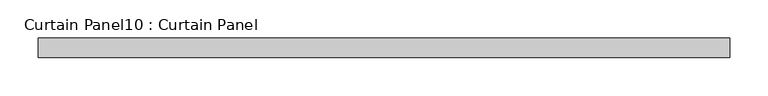
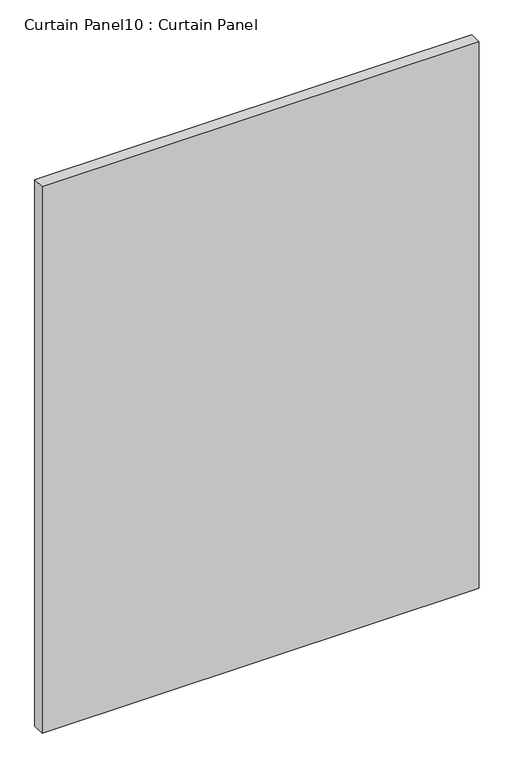
"""IFC4 building model written with IfcOpenShell, lengths in millimetres: plate geometry, Curtain Panel10 : Curtain Panel."""

from ifc_helpers import new_model, si_unit, frame, origin, place, context, project, spatial, polyline, outline, extrude, source, transform, mapped, element, save


def curtain_panel10_curtain_panel_650d8928(model_context):
    return source(origin(), model_context, "Body", "SweptSolid", [
        extrude(outline(polyline([(-15937.4276264, 9468.7682302), (-16837.9846264, 9468.7682302), (-16837.9846264, 9494.1682302), (-15937.4276264, 9494.1682302), (-15937.4276264, 9468.7682302)])), frame((0.0, 0.0, 2468.5515916), z_axis=(0.0, 0.0, 1.0), x_axis=(1.0, 0.0, 0.0)), (0.0, 0.0, 1.0), 1189.0484084),
    ])


if __name__ == "__main__":
    model = new_model("IFC4")
    model_context = context("Model", 3, world=origin())
    ifc_project = project(units=[si_unit("LENGTHUNIT", "METRE", prefix="MILLI")], contexts=[model_context])
    site = spatial("IfcSite", under=ifc_project)
    building = spatial("IfcBuilding", under=site)
    placement = place(None, origin())
    curtain_panel10_curtain_panel_shape = curtain_panel10_curtain_panel_650d8928(model_context)
    element("IfcPlate", 1, ObjectType="Curtain Panel10 : Curtain Panel", at=placement, inside=building, context=model_context, shape_type="MappedRepresentation", body=[
        mapped(curtain_panel10_curtain_panel_shape, transform((0.0, 0.0, 0.0), x_axis=(1.0, 0.0, 0.0), y_axis=(0.0, 1.0, 0.0), z_axis=(0.0, 0.0, 1.0))),
    ])
    save(model, "model.ifc")
